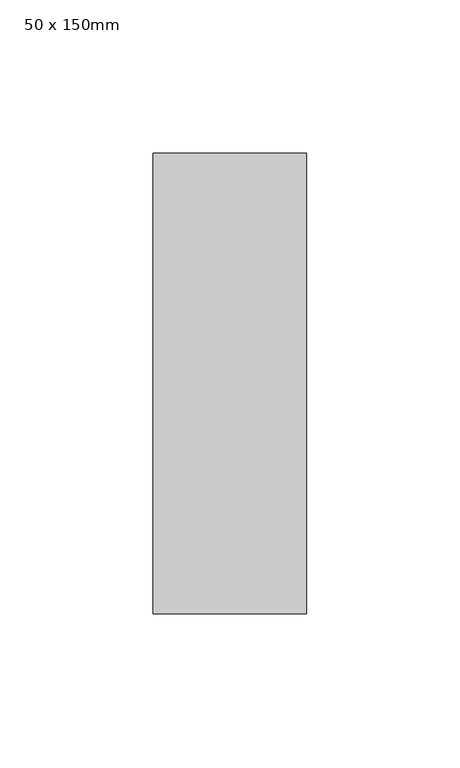
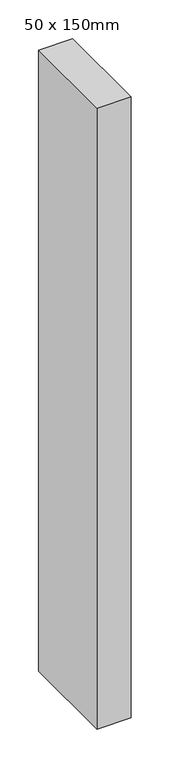
"""IFC4 building model written with IfcOpenShell, lengths in millimetres: member geometry, 50 x 150mm."""

from ifc_helpers import new_model, si_unit, frame, origin, place, context, project, spatial, polyline, outline, extrude, source, transform, mapped, element, save


def member_50_x_150mm_df201ddc(model_context):
    return source(origin(), model_context, "Body", "SweptSolid", [
        extrude(outline(polyline([(0.0, 75.0), (0.0, -75.0), (-50.0, -75.0), (-50.0, 75.0), (0.0, 75.0)])), frame((0.0, 0.0, -973.1338104), z_axis=(0.0, 0.0, 1.0), x_axis=(1.0, 0.0, 0.0)), (0.0, 0.0, 1.0), 973.1338104),
    ])


if __name__ == "__main__":
    model = new_model("IFC4")
    model_context = context("Model", 3, world=origin())
    ifc_project = project(units=[si_unit("LENGTHUNIT", "METRE", prefix="MILLI")], contexts=[model_context])
    site = spatial("IfcSite", under=ifc_project)
    building = spatial("IfcBuilding", under=site)
    placement = place(None, origin())
    member_50_x_150mm_shape = member_50_x_150mm_df201ddc(model_context)
    element("IfcMember", 1, ObjectType="50 x 150mm", at=placement, inside=building, context=model_context, shape_type="MappedRepresentation", body=[
        mapped(member_50_x_150mm_shape, transform((0.0, 0.0, 0.0), x_axis=(1.0, 0.0, 0.0), y_axis=(0.0, 1.0, 0.0), z_axis=(0.0, 0.0, 1.0))),
    ])
    save(model, "model.ifc")
